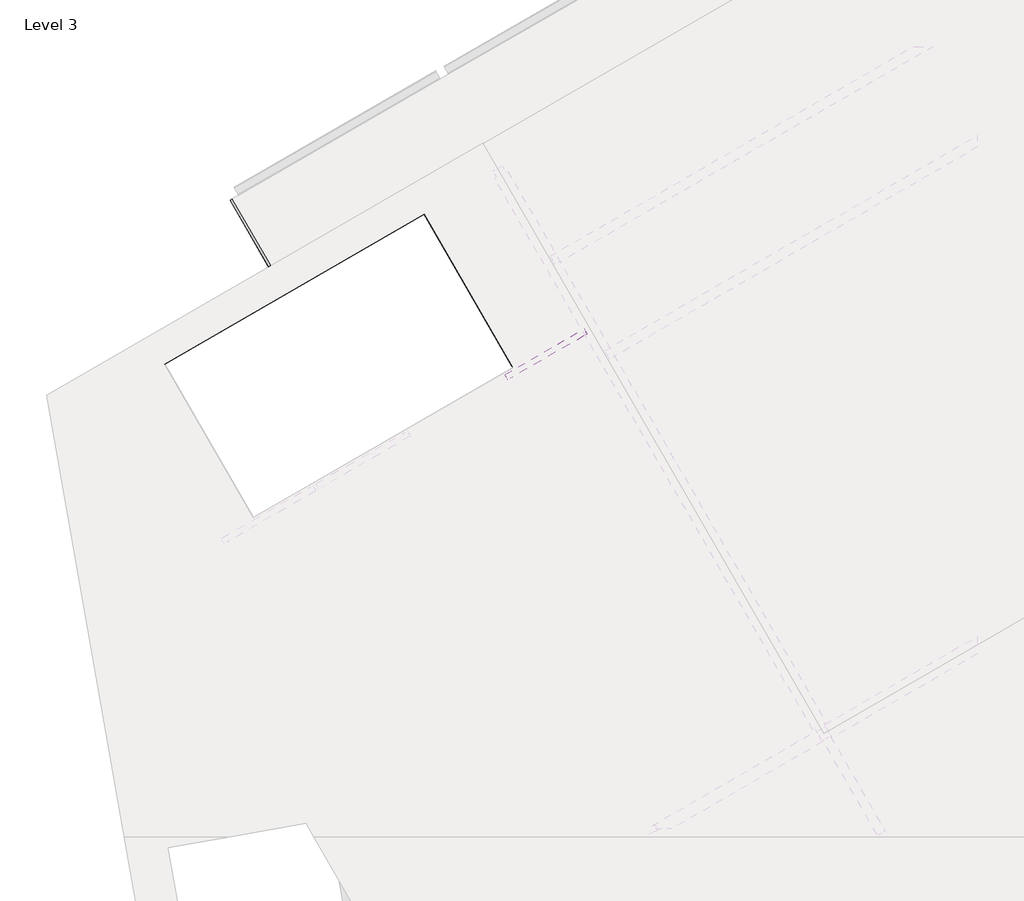
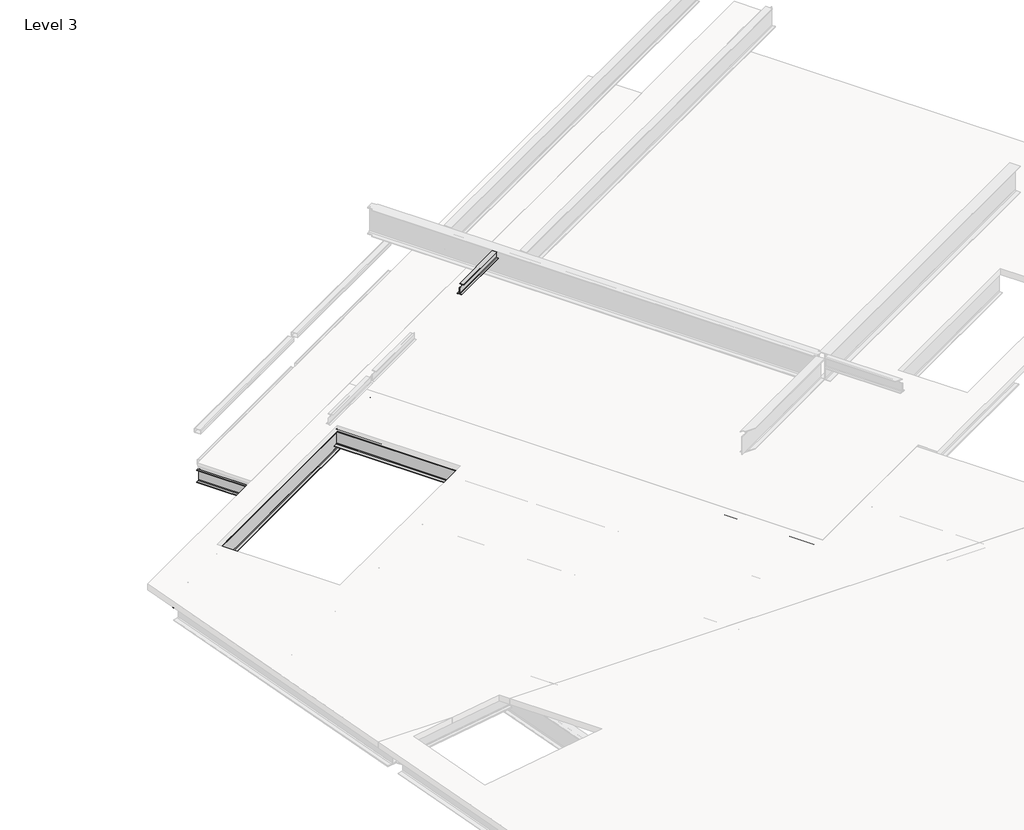
# One storey, part 10 of 16: 5 beams.
"""IFC4 building model written with IfcOpenShell, lengths in millimetres."""

from ifc_helpers import new_model, si_unit, frame, origin, place, context, project, spatial, polyline, circle_curve, element, save
from ifc_brep_helpers import plane_surface, revolved_surface, advanced_brep

model = new_model("IFC4")

# Units and contexts
model_context = context("Model", 3, world=origin())
ifc_project = project(units=[si_unit("LENGTHUNIT", "METRE", prefix="MILLI")], contexts=[model_context])

# Site, building, storey
site = spatial("IfcSite", under=ifc_project)
building = spatial("IfcBuilding", under=site)
storey = spatial("IfcBuildingStorey", under=building, Name="Level 3", Elevation=9753.6)

# Beams
placement = place(None, origin())
element("IfcBeam", 1, ObjectType="W-Wide Flange : W12x35", at=placement, inside=storey, context=model_context, shape_type="AdvancedBrep", body=[
    advanced_brep(
    [(-264.265187, 20502.3528614, 9296.908), (-264.265187, 20502.3528614, 9283.7), (-408.5658039, 20419.0408614, 9283.7), (-408.5658039, 20419.0408614, 9296.908), (-354.39808, 20450.3146114, 9296.908), (-339.7150523, 20458.7918614, 9313.8625), (-339.7150523, 20458.7918614, 9571.0375), (-354.39808, 20450.3146114, 9587.992), (-408.5658039, 20419.0408614, 9587.992), (-408.5658039, 20419.0408614, 9601.2), (-264.265187, 20502.3528614, 9601.2), (-264.265187, 20502.3528614, 9587.992), (-318.432911, 20471.0791114, 9587.992), (-333.1159387, 20462.6018614, 9571.0375), (-333.1159387, 20462.6018614, 9313.8625), (-318.432911, 20471.0791114, 9296.908), (539.420339, 18985.2336969, 9296.908), (593.588063, 19016.5074469, 9296.908), (524.7373113, 18976.7564469, 9313.8625), (485.6530613, 19044.4523537, 9571.0375), (485.6530613, 19044.4523537, 9559.29), (524.7373113, 18976.7564469, 9559.29), (500.336089, 19052.9296037, 9587.992), (554.503813, 19084.2033537, 9587.992), (554.503813, 19084.2033537, 9601.2), (410.2031961, 19000.8913537, 9601.2), (410.2031961, 19000.8913537, 9587.992), (464.37092, 19032.1651037, 9587.992), (479.0539477, 19040.6423537, 9571.0375), (518.1381977, 18972.9464469, 9313.8625), (518.1381977, 18972.9464469, 9559.29), (479.0539477, 19040.6423537, 9559.29), (503.45517, 18964.4691969, 9296.908), (449.2874461, 18933.1954469, 9296.908), (449.2874461, 18933.1954469, 9283.7), (593.588063, 19016.5074469, 9283.7)],
    [
        (0, 1),
        (1, 2),
        (2, 3),
        (3, 4),
        (4, 5, circle_curve(frame((-354.39808, 20450.3146114, 9313.8625), z_axis=(0.4999999999999867, -0.8660254037844465, 0.0), x_axis=(-0.8660254037844465, -0.4999999999999867, 0.0)), 16.9545)),
        (5, 6),
        (6, 7, circle_curve(frame((-354.39808, 20450.3146114, 9571.0375), z_axis=(0.4999999999999867, -0.8660254037844465, 0.0), x_axis=(-0.8660254037844465, -0.4999999999999867, 0.0)), 16.9545)),
        (7, 8),
        (8, 9),
        (9, 10),
        (10, 11),
        (11, 12),
        (12, 13, circle_curve(frame((-318.432911, 20471.0791114, 9571.0375), z_axis=(0.4999999999999867, -0.8660254037844465, 0.0), x_axis=(-0.8660254037844465, -0.4999999999999867, 0.0)), 16.9545)),
        (13, 14),
        (14, 15, circle_curve(frame((-318.432911, 20471.0791114, 9313.8625), z_axis=(0.4999999999999867, -0.8660254037844465, 0.0), x_axis=(-0.8660254037844465, -0.4999999999999867, 0.0)), 16.9545)),
        (15, 0),
        (15, 16),
        (16, 17),
        (17, 0),
        (14, 18),
        (18, 16, circle_curve(frame((539.420339, 18985.2336969, 9313.8625), z_axis=(0.4999999999999867, -0.8660254037844465, 0.0), x_axis=(-0.8660254037844465, -0.4999999999999867, 0.0)), 16.9545)),
        (13, 19),
        (19, 20),
        (20, 21),
        (21, 18),
        (12, 22),
        (22, 19, circle_curve(frame((500.336089, 19052.9296037, 9571.0375), z_axis=(0.4999999999999867, -0.8660254037844465, 0.0), x_axis=(-0.8660254037844465, -0.4999999999999867, 0.0)), 16.9545)),
        (11, 23),
        (23, 22),
        (10, 24),
        (24, 23),
        (9, 25),
        (25, 24),
        (8, 26),
        (26, 25),
        (7, 27),
        (27, 26),
        (6, 28),
        (28, 27, circle_curve(frame((464.37092, 19032.1651037, 9571.0375), z_axis=(0.4999999999999867, -0.8660254037844465, 0.0), x_axis=(-0.8660254037844465, -0.4999999999999867, 0.0)), 16.9545)),
        (5, 29),
        (29, 30),
        (30, 31),
        (31, 28),
        (4, 32),
        (32, 29, circle_curve(frame((503.45517, 18964.4691969, 9313.8625), z_axis=(0.4999999999999867, -0.8660254037844465, 0.0), x_axis=(-0.8660254037844465, -0.4999999999999867, 0.0)), 16.9545)),
        (3, 33),
        (33, 32),
        (2, 34),
        (34, 33),
        (1, 35),
        (35, 34),
        (17, 35),
        (31, 20),
        (30, 21),
    ],
    [
        plane_surface(frame((-336.4154955, 20460.6968614, 9442.45), z_axis=(-0.4999999999999867, 0.8660254037844465, 0.0), x_axis=(0.0, 0.0, 1.0))),
        plane_surface(frame((599.938063, 19005.5089243, 9296.908), z_axis=(0.0, 0.0, 1.0000000000000002), x_axis=(-0.4999999999999867, 0.8660254037844465, 0.0))),
        revolved_surface(polyline([(-333.115938723098, 20462.60186139155, 9313.8625), (524.7373113058045, 18976.75644690335, 9313.8625)]), (545.770339, 18974.2351743, 9313.8625), (-0.4999999999999867, 0.8660254037844465, 0.0)),
        plane_surface(frame((531.0873113, 18965.7579243, 9313.8625), z_axis=(0.8660254037844465, 0.4999999999999867, 0.0), x_axis=(-0.4999999999999867, 0.8660254037844465, 0.0))),
        revolved_surface(polyline([(-333.115938723098, 20462.60186139155, 9571.0375), (485.6530612952938, 19044.45235369728, 9571.0375)]), (545.770339, 18974.2351743, 9571.0375), (-0.4999999999999867, 0.8660254037844465, 0.0)),
        plane_surface(frame((545.770339, 18974.2351743, 9587.992), z_axis=(0.0, 0.0, -1.0000000000000002), x_axis=(-0.4999999999999867, 0.8660254037844465, 0.0))),
        plane_surface(frame((599.938063, 19005.5089243, 9587.992), z_axis=(0.8660254037844465, 0.4999999999999867, 0.0), x_axis=(-0.4999999999999867, 0.8660254037844465, 0.0))),
        plane_surface(frame((599.938063, 19005.5089243, 9601.2), z_axis=(0.0, 0.0, 1.0000000000000002), x_axis=(-0.4999999999999867, 0.8660254037844465, 0.0))),
        plane_surface(frame((455.6374461, 18922.1969243, 9601.2), z_axis=(-0.8660254037844465, -0.4999999999999867, 0.0), x_axis=(-0.4999999999999867, 0.8660254037844465, 0.0))),
        plane_surface(frame((455.6374461, 18922.1969243, 9587.992), z_axis=(0.0, 0.0, -1.0000000000000002), x_axis=(-0.4999999999999867, 0.8660254037844465, 0.0))),
        revolved_surface(polyline([(-369.08110772521553, 20441.837361395217, 9571.0375), (449.68789229317633, 19023.687853700947, 9571.0375)]), (509.80517, 18953.4706743, 9571.0375), (-0.4999999999999867, 0.8660254037844465, 0.0)),
        plane_surface(frame((524.4881977, 18961.9479243, 9571.0375), z_axis=(-0.8660254037844465, -0.4999999999999867, 0.0), x_axis=(-0.4999999999999867, 0.8660254037844465, 0.0))),
        revolved_surface(polyline([(-369.08110772521553, 20441.837361395217, 9313.8625), (488.772142303687, 18955.991946907016, 9313.8625)]), (509.80517, 18953.4706743, 9313.8625), (-0.4999999999999867, 0.8660254037844465, 0.0)),
        plane_surface(frame((509.80517, 18953.4706743, 9296.908), z_axis=(0.0, 0.0, 1.0000000000000002), x_axis=(-0.4999999999999867, 0.8660254037844465, 0.0))),
        plane_surface(frame((455.6374461, 18922.1969243, 9296.908), z_axis=(-0.8660254037844465, -0.4999999999999867, 0.0), x_axis=(-0.4999999999999867, 0.8660254037844465, 0.0))),
        plane_surface(frame((455.6374461, 18922.1969243, 9283.7), z_axis=(0.0, 0.0, -1.0000000000000002), x_axis=(-0.4999999999999867, 0.8660254037844465, 0.0))),
        plane_surface(frame((599.938063, 19005.5089243, 9283.7), z_axis=(0.8660254037844465, 0.4999999999999867, 0.0), x_axis=(-0.4999999999999867, 0.8660254037844465, 0.0))),
        plane_surface(frame((-3016.9958534, 17022.1970599, 9626.6), z_axis=(0.49999999999999195, -0.8660254037844433, 0.0), x_axis=(0.8660254037844433, 0.49999999999999195, 0.0))),
        plane_surface(frame((-3016.9958534, 17022.1970599, 9559.29), z_axis=(0.0, 0.0, 1.0), x_axis=(0.8660254037844433, 0.49999999999999195, 0.0))),
        plane_surface(frame((-2977.9116034, 16954.5011531, 9559.29), z_axis=(0.49999999999999195, -0.8660254037844433, 0.0), x_axis=(0.8660254037844433, 0.49999999999999195, 0.0))),
    ],
    [
        (0, [[1, 2, 3, 4, 5, 6, 7, 8, 9, 10, 11, 12, 13, 14, 15, 16]]),
        (1, [[-16, 17, 18, 19]]),
        (2, [[-15, 20, 21, -17]]),
        (3, [[-14, 22, 23, 24, 25, -20]]),
        (4, [[-13, 26, 27, -22]]),
        (5, [[-12, 28, 29, -26]]),
        (6, [[-11, 30, 31, -28]]),
        (7, [[-10, 32, 33, -30]]),
        (8, [[-9, 34, 35, -32]]),
        (9, [[-8, 36, 37, -34]]),
        (10, [[-7, 38, 39, -36]]),
        (11, [[-6, 40, 41, 42, 43, -38]]),
        (12, [[-5, 44, 45, -40]]),
        (13, [[-4, 46, 47, -44]]),
        (14, [[-3, 48, 49, -46]]),
        (15, [[-2, 50, 51, -48]]),
        (16, [[-1, -19, 52, -50]]),
        (17, [[53, -23, -27, -29, -31, -33, -35, -37, -39, -43]]),
        (18, [[-53, -42, 54, -24]]),
        (19, [[-54, -41, -45, -47, -49, -51, -52, -18, -21, -25]]),
    ],
),
])
element("IfcBeam", 2, ObjectType="W-Wide Flange : W16x45", at=placement, inside=storey, context=model_context, shape_type="AdvancedBrep", body=[
    advanced_brep(
    [(2810.6291971, 20240.6442476, 9206.611), (2869.1963301, 20274.4579976, 9206.611), (2884.2643061, 20283.1574976, 9224.01), (2884.2643061, 20283.1574976, 9569.45), (2869.1963301, 20274.4579976, 9586.849), (2810.6291971, 20240.6442476, 9586.849), (2810.6291971, 20240.6442476, 9601.2), (2965.4883957, 20330.0522476, 9601.2), (2965.4883957, 20330.0522476, 9586.849), (2906.9212627, 20296.2384976, 9586.849), (2891.8532867, 20287.5389976, 9569.45), (2891.8532867, 20287.5389976, 9224.01), (2906.9212627, 20296.2384976, 9206.611), (2965.4883957, 20330.0522476, 9206.611), (2965.4883957, 20330.0522476, 9192.26), (2810.6291971, 20240.6442476, 9192.26), (4368.1657853, 17542.9117421, 9206.611), (4426.7329183, 17576.7254921, 9206.611), (4441.8008943, 17585.4249921, 9224.01), (4441.8008943, 17585.4249921, 9556.242), (4387.5083943, 17679.4623606, 9556.242), (4387.5083943, 17679.4623606, 9569.45), (4372.4404183, 17670.7628606, 9586.849), (4313.8732853, 17636.9491106, 9586.849), (4313.8732853, 17636.9491106, 9601.2), (4468.7324839, 17726.3571106, 9601.2), (4468.7324839, 17726.3571106, 9586.849), (4410.1653509, 17692.5433606, 9586.849), (4395.0973749, 17683.8438606, 9569.45), (4395.0973749, 17683.8438606, 9556.242), (4449.3898749, 17589.8064921, 9556.242), (4449.3898749, 17589.8064921, 9224.01), (4464.4578509, 17598.5059921, 9206.611), (4523.0249839, 17632.3197421, 9206.611), (4523.0249839, 17632.3197421, 9192.26), (4368.1657853, 17542.9117421, 9192.26)],
    [
        (0, 1),
        (1, 2, circle_curve(frame((2869.1963301, 20274.4579976, 9224.01), z_axis=(0.4999999999999872, -0.8660254037844461, 0.0), x_axis=(0.8660254037844461, 0.4999999999999872, 0.0)), 17.399)),
        (2, 3),
        (3, 4, circle_curve(frame((2869.1963301, 20274.4579976, 9569.45), z_axis=(0.4999999999999872, -0.8660254037844461, 0.0), x_axis=(0.0, 0.0, 1.0)), 17.399)),
        (4, 5),
        (5, 6),
        (6, 7),
        (7, 8),
        (8, 9),
        (9, 10, circle_curve(frame((2906.9212627, 20296.2384976, 9569.45), z_axis=(0.4999999999999872, -0.8660254037844461, 0.0), x_axis=(-0.8660254037844461, -0.4999999999999872, 0.0)), 17.399)),
        (10, 11),
        (11, 12, circle_curve(frame((2906.9212627, 20296.2384976, 9224.01), z_axis=(0.4999999999999872, -0.8660254037844461, 0.0), x_axis=(0.0, 0.0, -1.0)), 17.399)),
        (12, 13),
        (13, 14),
        (14, 15),
        (15, 0),
        (0, 16),
        (16, 17),
        (17, 1),
        (17, 18, circle_curve(frame((4426.7329183, 17576.7254921, 9224.01), z_axis=(0.4999999999999872, -0.8660254037844461, 0.0), x_axis=(0.8660254037844461, 0.4999999999999872, 0.0)), 17.399)),
        (18, 2),
        (18, 19),
        (19, 20),
        (20, 21),
        (21, 3),
        (21, 22, circle_curve(frame((4372.4404183, 17670.7628606, 9569.45), z_axis=(0.4999999999999872, -0.8660254037844461, 0.0), x_axis=(0.0, 0.0, 1.0)), 17.399)),
        (22, 4),
        (22, 23),
        (23, 5),
        (23, 24),
        (24, 6),
        (24, 25),
        (25, 7),
        (25, 26),
        (26, 8),
        (26, 27),
        (27, 9),
        (27, 28, circle_curve(frame((4410.1653509, 17692.5433606, 9569.45), z_axis=(0.4999999999999872, -0.8660254037844461, 0.0), x_axis=(-0.8660254037844461, -0.4999999999999872, 0.0)), 17.399)),
        (28, 10),
        (28, 29),
        (29, 30),
        (30, 31),
        (31, 11),
        (31, 32, circle_curve(frame((4464.4578509, 17598.5059921, 9224.01), z_axis=(0.4999999999999872, -0.8660254037844461, 0.0), x_axis=(0.0, 0.0, -1.0)), 17.399)),
        (32, 12),
        (32, 33),
        (33, 13),
        (33, 34),
        (34, 14),
        (34, 35),
        (35, 15),
        (35, 16),
        (20, 29),
        (19, 30),
    ],
    [
        plane_surface(frame((2888.0587964, 20285.3482476, 9396.73), z_axis=(-0.4999999999999872, 0.8660254037844461, 0.0), x_axis=(0.0, 0.0, 1.0))),
        plane_surface(frame((2839.9127636, 20257.5511226, 9206.611), z_axis=(0.0, 0.0, 1.0000000000000002), x_axis=(0.8660254037844461, 0.4999999999999872, 0.0))),
        revolved_surface(polyline([(4441.800894339427, 17585.424992122502, 9224.01), (2884.2643061003328, 20283.157497600194, 9224.01)]), (2869.1963301, 20274.4579976, 9224.01), (0.4999999999999872, -0.8660254037844461, 0.0)),
        plane_surface(frame((2884.2643061, 20283.1574976, 9396.73), z_axis=(-0.8660254037844461, -0.4999999999999872, 0.0), x_axis=(0.0, 0.0, 1.0))),
        revolved_surface(polyline([(4372.440418325963, 17670.76286061499, 9586.849), (2869.1963300998873, 20274.457997600195, 9586.849)]), (2869.1963301, 20274.4579976, 9569.45), (0.4999999999999872, -0.8660254037844461, 0.0)),
        plane_surface(frame((2839.9127636, 20257.5511226, 9586.849), z_axis=(0.0, 0.0, -1.0000000000000002), x_axis=(-0.8660254037844461, -0.4999999999999872, 0.0))),
        plane_surface(frame((2810.6291971, 20240.6442476, 9594.0245), z_axis=(-0.8660254037844461, -0.4999999999999872, 0.0), x_axis=(0.0, 0.0, 1.0))),
        plane_surface(frame((2888.0587964, 20285.3482476, 9601.2), z_axis=(0.0, 0.0, 1.0000000000000002), x_axis=(0.8660254037844461, 0.4999999999999872, 0.0))),
        plane_surface(frame((2965.4883957, 20330.0522476, 9594.0245), z_axis=(0.8660254037844461, 0.4999999999999872, 0.0), x_axis=(0.0, 0.0, -1.0))),
        plane_surface(frame((2936.2048292, 20313.1453726, 9586.849), z_axis=(0.0, 0.0, -1.0000000000000002), x_axis=(-0.8660254037844461, -0.4999999999999872, 0.0))),
        revolved_surface(polyline([(4395.097374925628, 17683.843860614797, 9569.45), (2891.8532866995547, 20287.5389976, 9569.45)]), (2906.9212627, 20296.2384976, 9569.45), (0.4999999999999872, -0.8660254037844461, 0.0)),
        plane_surface(frame((2891.8532867, 20287.5389976, 9396.73), z_axis=(0.8660254037844461, 0.4999999999999872, 0.0), x_axis=(0.0, 0.0, -1.0))),
        revolved_surface(polyline([(4464.457850939092, 17598.505992122315, 9206.611), (2906.9212627, 20296.2384976, 9206.611)]), (2906.9212627, 20296.2384976, 9224.01), (0.4999999999999872, -0.8660254037844461, 0.0)),
        plane_surface(frame((2936.2048292, 20313.1453726, 9206.611), z_axis=(0.0, 0.0, 1.0000000000000002), x_axis=(0.8660254037844461, 0.4999999999999872, 0.0))),
        plane_surface(frame((2965.4883957, 20330.0522476, 9199.4355), z_axis=(0.8660254037844461, 0.4999999999999872, 0.0), x_axis=(0.0, 0.0, -1.0))),
        plane_surface(frame((2888.0587964, 20285.3482476, 9192.26), z_axis=(0.0, 0.0, -1.0000000000000002), x_axis=(-0.8660254037844461, -0.4999999999999872, 0.0))),
        plane_surface(frame((2810.6291971, 20240.6442476, 9199.4355), z_axis=(-0.8660254037844461, -0.4999999999999872, 0.0), x_axis=(0.0, 0.0, 1.0))),
        plane_surface(frame((-2437.2134762, 13739.2073515, 9626.6), z_axis=(0.4999999999999921, -0.8660254037844433, 0.0), x_axis=(0.8660254037844433, 0.4999999999999921, 0.0))),
        plane_surface(frame((-2437.2134762, 13739.2073515, 9556.242), z_axis=(0.0, 0.0, 1.0), x_axis=(0.8660254037844433, 0.4999999999999921, 0.0))),
        plane_surface(frame((-2382.9209762, 13645.1699831, 9556.242), z_axis=(0.4999999999999922, -0.8660254037844433, 0.0), x_axis=(0.8660254037844433, 0.4999999999999922, 0.0))),
    ],
    [
        (0, [[1, 2, 3, 4, 5, 6, 7, 8, 9, 10, 11, 12, 13, 14, 15, 16]]),
        (1, [[-1, 17, 18, 19]]),
        (2, [[-2, -19, 20, 21]]),
        (3, [[-3, -21, 22, 23, 24, 25]]),
        (4, [[-4, -25, 26, 27]]),
        (5, [[-5, -27, 28, 29]]),
        (6, [[-6, -29, 30, 31]]),
        (7, [[-7, -31, 32, 33]]),
        (8, [[-8, -33, 34, 35]]),
        (9, [[-9, -35, 36, 37]]),
        (10, [[-10, -37, 38, 39]]),
        (11, [[-11, -39, 40, 41, 42, 43]]),
        (12, [[-12, -43, 44, 45]]),
        (13, [[-13, -45, 46, 47]]),
        (14, [[-14, -47, 48, 49]]),
        (15, [[-15, -49, 50, 51]]),
        (16, [[-16, -51, 52, -17]]),
        (17, [[53, -40, -38, -36, -34, -32, -30, -28, -26, -24]]),
        (18, [[-53, -23, 54, -41]]),
        (19, [[-54, -22, -20, -18, -52, -50, -48, -46, -44, -42]]),
    ],
),
])
element("IfcBeam", 3, ObjectType="W-Wide Flange : W21x57", at=placement, inside=storey, context=model_context, shape_type="AdvancedBrep", body=[
    advanced_brep(
    [(3891.3972921, 20981.4303084, 9081.77), (3922.0677921, 20928.3074441, 9081.77), (3930.4815421, 20913.7344017, 9098.5975), (3930.4815421, 20913.7344017, 9567.8625), (3922.0677921, 20928.3074441, 9584.69), (3891.3972921, 20981.4303084, 9584.69), (3891.3972921, 20981.4303084, 9601.2), (3974.7092921, 20837.1296916, 9601.2), (3974.7092921, 20837.1296916, 9584.69), (3944.0387921, 20890.2525559, 9584.69), (3935.6250421, 20904.8255983, 9567.8625), (3935.6250421, 20904.8255983, 9098.5975), (3944.0387921, 20890.2525559, 9081.77), (3974.7092921, 20837.1296916, 9081.77), (3974.7092921, 20837.1296916, 9065.26), (3891.3972921, 20981.4303084, 9065.26), (-2898.9868082, 16868.5993978, 9065.26), (-2898.9868082, 16868.5993978, 9081.77), (-2929.6573082, 16921.7222621, 9081.77), (-2938.0710582, 16936.2953045, 9098.5975), (-2938.0710582, 16936.2953045, 9567.8625), (-2929.6573082, 16921.7222621, 9584.69), (-2898.9868082, 16868.5993978, 9584.69), (-2898.9868082, 16868.5993978, 9601.2), (-2962.6129739, 16978.8031495, 9601.2), (-2962.6129739, 16978.8031495, 9584.69), (-2951.6283082, 16959.7771503, 9584.69), (-2943.2145582, 16945.2041079, 9567.8625), (-2943.2145582, 16945.2041079, 9098.5975), (-2951.6283082, 16959.7771503, 9081.77), (-2962.6129739, 16978.8031495, 9081.77), (-2962.6129739, 16978.8031495, 9065.26), (-2856.5901337, 17085.4779517, 9081.77), (-2846.5667989, 17028.6327954, 9081.77), (-2967.6351249, 17007.285183, 9081.77), (-2967.6351249, 17007.285183, 9584.69), (-2846.5667989, 17028.6327954, 9584.69), (-2856.5901337, 17085.4779517, 9584.69), (-2856.5901337, 17085.4779517, 9601.2), (-2846.5667989, 17028.6327954, 9601.2), (-2967.6351249, 17007.285183, 9601.2), (-2967.6351249, 17007.285183, 9065.26), (-2846.5667989, 17028.6327954, 9065.26), (-2856.5901337, 17085.4779517, 9065.26)],
    [
        (0, 1),
        (1, 2, circle_curve(frame((3922.0677921, 20928.3074441, 9098.5975), z_axis=(-0.8660254037844433, -0.4999999999999922, 0.0), x_axis=(0.4999999999999922, -0.8660254037844433, 0.0)), 16.8275)),
        (2, 3),
        (3, 4, circle_curve(frame((3922.0677921, 20928.3074441, 9567.8625), z_axis=(-0.8660254037844433, -0.4999999999999922, 0.0), x_axis=(0.4999999999999922, -0.8660254037844433, 0.0)), 16.8275)),
        (4, 5),
        (5, 6),
        (6, 7),
        (7, 8),
        (8, 9),
        (9, 10, circle_curve(frame((3944.0387921, 20890.2525559, 9567.8625), z_axis=(-0.8660254037844433, -0.4999999999999922, 0.0), x_axis=(0.4999999999999922, -0.8660254037844433, 0.0)), 16.8275)),
        (10, 11),
        (11, 12, circle_curve(frame((3944.0387921, 20890.2525559, 9098.5975), z_axis=(-0.8660254037844433, -0.4999999999999922, 0.0), x_axis=(0.4999999999999922, -0.8660254037844433, 0.0)), 16.8275)),
        (12, 13),
        (13, 14),
        (14, 15),
        (15, 0),
        (16, 17),
        (17, 18),
        (18, 19, circle_curve(frame((-2929.6573082, 16921.7222621, 9098.5975), z_axis=(0.8660254037844433, 0.4999999999999922, 0.0), x_axis=(0.4999999999999922, -0.8660254037844433, 0.0)), 16.8275)),
        (19, 20),
        (20, 21, circle_curve(frame((-2929.6573082, 16921.7222621, 9567.8625), z_axis=(0.8660254037844433, 0.4999999999999922, 0.0), x_axis=(0.4999999999999922, -0.8660254037844433, 0.0)), 16.8275)),
        (21, 22),
        (22, 23),
        (23, 24),
        (24, 25),
        (25, 26),
        (26, 27, circle_curve(frame((-2951.6283082, 16959.7771503, 9567.8625), z_axis=(0.8660254037844433, 0.4999999999999922, 0.0), x_axis=(0.4999999999999922, -0.8660254037844433, 0.0)), 16.8275)),
        (27, 28),
        (28, 29, circle_curve(frame((-2951.6283082, 16959.7771503, 9098.5975), z_axis=(0.8660254037844433, 0.4999999999999922, 0.0), x_axis=(0.4999999999999922, -0.8660254037844433, 0.0)), 16.8275)),
        (29, 30),
        (30, 31),
        (31, 16),
        (0, 32),
        (32, 33),
        (33, 34),
        (34, 30),
        (29, 1),
        (28, 2),
        (27, 3),
        (26, 4),
        (25, 35),
        (35, 36),
        (36, 37),
        (37, 5),
        (37, 38),
        (38, 6),
        (38, 39),
        (39, 40),
        (40, 24),
        (23, 7),
        (22, 8),
        (21, 9),
        (20, 10),
        (19, 11),
        (18, 12),
        (17, 13),
        (16, 14),
        (31, 41),
        (41, 42),
        (42, 43),
        (43, 15),
        (43, 32),
        (42, 33),
        (41, 34),
        (36, 39),
        (35, 40),
    ],
    [
        plane_surface(frame((3933.0532921, 20909.28, 9333.23), z_axis=(0.8660254037844433, 0.4999999999999922, 0.0), x_axis=(0.0, 0.0, 1.0))),
        plane_surface(frame((-2940.6428082, 16940.7497062, 9333.23), z_axis=(-0.8660254037844433, -0.4999999999999922, 0.0), x_axis=(0.0, 0.0, 1.0))),
        plane_surface(frame((3891.3972921, 20981.4303084, 9081.77), z_axis=(0.0, 0.0, 1.0000000000000002), x_axis=(-0.8660254037844433, -0.4999999999999922, 0.0))),
        revolved_surface(polyline([(-2943.2145581844975, 16945.204107790967, 9098.5975), (3930.481542135586, 20913.734401638365, 9098.5975)]), (3922.0677921, 20928.3074441, 9098.5975), (-0.8660254037844433, -0.4999999999999922, 0.0)),
        plane_surface(frame((3930.4815421, 20913.7344017, 9098.5975), z_axis=(-0.4999999999999922, 0.8660254037844433, 0.0), x_axis=(-0.8660254037844433, -0.4999999999999922, 0.0))),
        revolved_surface(polyline([(-2943.2145581844975, 16945.204107790967, 9567.8625), (3930.481542135586, 20913.734401638365, 9567.8625)]), (3922.0677921, 20928.3074441, 9567.8625), (-0.8660254037844433, -0.4999999999999922, 0.0)),
        plane_surface(frame((3922.0677921, 20928.3074441, 9584.69), z_axis=(0.0, 0.0, -1.0000000000000002), x_axis=(-0.8660254037844433, -0.4999999999999922, 0.0))),
        plane_surface(frame((3891.3972921, 20981.4303084, 9584.69), z_axis=(-0.4999999999999922, 0.8660254037844433, 0.0), x_axis=(-0.8660254037844433, -0.4999999999999922, 0.0))),
        plane_surface(frame((3891.3972921, 20981.4303084, 9601.2), z_axis=(0.0, 0.0, 1.0000000000000002), x_axis=(-0.8660254037844433, -0.4999999999999922, 0.0))),
        plane_surface(frame((3974.7092921, 20837.1296916, 9601.2), z_axis=(0.4999999999999922, -0.8660254037844433, 0.0), x_axis=(-0.8660254037844433, -0.4999999999999922, 0.0))),
        plane_surface(frame((3974.7092921, 20837.1296916, 9584.69), z_axis=(0.0, 0.0, -1.0000000000000002), x_axis=(-0.8660254037844433, -0.4999999999999922, 0.0))),
        revolved_surface(polyline([(-2921.243558220085, 16907.14921957042, 9567.8625), (3952.4525421, 20875.679513417817, 9567.8625)]), (3944.0387921, 20890.2525559, 9567.8625), (-0.8660254037844433, -0.4999999999999922, 0.0)),
        plane_surface(frame((3935.6250421, 20904.8255983, 9567.8625), z_axis=(0.4999999999999922, -0.8660254037844433, 0.0), x_axis=(-0.8660254037844433, -0.4999999999999922, 0.0))),
        revolved_surface(polyline([(-2921.243558220085, 16907.14921957042, 9098.5975), (3952.4525421, 20875.679513417817, 9098.5975)]), (3944.0387921, 20890.2525559, 9098.5975), (-0.8660254037844433, -0.4999999999999922, 0.0)),
        plane_surface(frame((3944.0387921, 20890.2525559, 9081.77), z_axis=(0.0, 0.0, 1.0000000000000002), x_axis=(-0.8660254037844433, -0.4999999999999922, 0.0))),
        plane_surface(frame((3974.7092921, 20837.1296916, 9081.77), z_axis=(0.4999999999999922, -0.8660254037844433, 0.0), x_axis=(-0.8660254037844433, -0.4999999999999922, 0.0))),
        plane_surface(frame((3974.7092921, 20837.1296916, 9065.26), z_axis=(0.0, 0.0, -1.0000000000000002), x_axis=(-0.8660254037844433, -0.4999999999999922, 0.0))),
        plane_surface(frame((3891.3972921, 20981.4303084, 9065.26), z_axis=(-0.4999999999999922, 0.8660254037844433, 0.0), x_axis=(-0.8660254037844433, -0.4999999999999922, 0.0))),
        plane_surface(frame((-2858.3873777, 17095.6706287, 5765.8), z_axis=(-0.9848077530122079, -0.17364817766693116, 0.0), x_axis=(0.0, 0.0, 1.0))),
        plane_surface(frame((-2846.5667989, 17028.6327954, 5765.8), z_axis=(-0.1736481776669381, 0.9848077530122068, 0.0), x_axis=(0.0, 0.0, 1.0))),
        plane_surface(frame((-2967.6351249, 17007.285183, 5765.8), z_axis=(-0.9848077530122079, -0.17364817766693152, 0.0), x_axis=(0.0, 0.0, 1.0))),
    ],
    [
        (0, [[1, 2, 3, 4, 5, 6, 7, 8, 9, 10, 11, 12, 13, 14, 15, 16]]),
        (1, [[17, 18, 19, 20, 21, 22, 23, 24, 25, 26, 27, 28, 29, 30, 31, 32]]),
        (2, [[-1, 33, 34, 35, 36, -30, 37]]),
        (3, [[-2, -37, -29, 38]]),
        (4, [[-3, -38, -28, 39]]),
        (5, [[-4, -39, -27, 40]]),
        (6, [[-5, -40, -26, 41, 42, 43, 44]]),
        (7, [[-6, -44, 45, 46]]),
        (8, [[-7, -46, 47, 48, 49, -24, 50]]),
        (9, [[-8, -50, -23, 51]]),
        (10, [[-9, -51, -22, 52]]),
        (11, [[-10, -52, -21, 53]]),
        (12, [[-11, -53, -20, 54]]),
        (13, [[-12, -54, -19, 55]]),
        (14, [[-13, -55, -18, 56]]),
        (15, [[-14, -56, -17, 57]]),
        (16, [[-15, -57, -32, 58, 59, 60, 61]]),
        (17, [[-16, -61, 62, -33]]),
        (18, [[63, -34, -62, -60]]),
        (19, [[-63, -59, 64, -35]]),
        (20, [[-64, -58, -31, -36]]),
        (18, [[65, -47, -45, -43]]),
        (19, [[-65, -42, 66, -48]]),
        (20, [[-66, -41, -25, -49]]),
    ],
),
])
element("IfcBeam", 4, ObjectType="W-Wide Flange : W24x84", at=placement, inside=storey, context=model_context, shape_type="AdvancedBrep", body=[
    advanced_brep(
    [(4046.2521508, 20939.1468252, 9008.618), (3996.3738507, 20910.3495752, 9008.618), (4057.8418507, 20803.8838762, 9008.618), (4033.8650714, 20790.0408762, 9008.618), (9366.5950714, 11553.4815732, 9008.618), (9390.5718507, 11567.3245732, 9008.618), (9452.0398507, 11460.8588741, 9008.618), (9501.9181508, 11489.6561241, 9008.618), (4066.4344399, 20950.7990752, 9031.9225), (9522.1004399, 11501.3083741, 9031.9225), (4066.4344399, 20950.7990752, 9558.3375), (9522.1004399, 11501.3083741, 9558.3375), (4046.2521508, 20939.1468252, 9581.642), (9501.9181508, 11489.6561241, 9581.642), (3996.3738507, 20910.3495752, 9581.642), (9452.0398507, 11460.8588741, 9581.642), (9390.5718507, 11567.3245732, 9581.642), (9366.5950714, 11553.4815732, 9581.642), (4033.8650714, 20790.0408762, 9581.642), (4057.8418507, 20803.8838762, 9581.642), (4033.8650714, 20790.0408762, 9601.2), (9366.5950714, 11553.4815732, 9601.2), (4232.2784196, 20904.5948762, 9601.2), (4208.3016403, 20890.7518762, 9601.2), (4146.8336403, 20997.2175752, 9601.2), (3996.3738507, 20910.3495752, 9601.2), (4057.8418507, 20803.8838762, 9601.2), (9390.5718507, 11567.3245732, 9601.2), (9452.0398507, 11460.8588741, 9601.2), (9602.4996403, 11547.7268741, 9601.2), (9541.0316403, 11654.1925732, 9601.2), (9565.0084196, 11668.0355732, 9601.2), (4232.2784196, 20904.5948762, 9581.642), (9565.0084196, 11668.0355732, 9581.642), (4208.3016403, 20890.7518762, 9581.642), (9541.0316403, 11654.1925732, 9581.642), (9602.4996403, 11547.7268741, 9581.642), (9552.6213402, 11518.9296241, 9581.642), (4096.9553402, 20968.4203252, 9581.642), (4146.8336403, 20997.2175752, 9581.642), (4076.7730511, 20956.7680752, 9558.3375), (9532.4390511, 11507.2773741, 9558.3375), (4076.7730511, 20956.7680752, 9031.9225), (9532.4390511, 11507.2773741, 9031.9225), (4096.9553402, 20968.4203252, 9008.618), (9552.6213402, 11518.9296241, 9008.618), (4232.2784196, 20904.5948762, 9008.618), (4208.3016403, 20890.7518762, 9008.618), (4146.8336403, 20997.2175752, 9008.618), (9602.4996403, 11547.7268741, 9008.618), (9541.0316403, 11654.1925732, 9008.618), (9565.0084196, 11668.0355732, 9008.618), (4232.2784196, 20904.5948762, 8989.06), (9565.0084196, 11668.0355732, 8989.06), (4208.3016403, 20890.7518762, 8989.06), (9541.0316403, 11654.1925732, 8989.06), (9602.4996403, 11547.7268741, 8989.06), (9452.0398507, 11460.8588741, 8989.06), (9390.5718507, 11567.3245732, 8989.06), (9366.5950714, 11553.4815732, 8989.06), (4033.8650714, 20790.0408762, 8989.06), (4057.8418507, 20803.8838762, 8989.06), (3996.3738507, 20910.3495752, 8989.06), (4146.8336403, 20997.2175752, 8989.06)],
    [
        (0, 1),
        (1, 2),
        (2, 3),
        (3, 4),
        (4, 5),
        (5, 6),
        (6, 7),
        (7, 0),
        (8, 0, circle_curve(frame((4046.2521508, 20939.1468252, 9031.9225), z_axis=(-0.499999999999991, 0.8660254037844439, 0.0), x_axis=(0.8660254037844439, 0.499999999999991, 0.0)), 23.3045)),
        (7, 9, circle_curve(frame((9501.9181508, 11489.6561241, 9031.9225), z_axis=(0.499999999999991, -0.8660254037844439, 0.0), x_axis=(0.8660254037844439, 0.499999999999991, 0.0)), 23.3045)),
        (9, 8),
        (10, 8),
        (9, 11),
        (11, 10),
        (12, 10, circle_curve(frame((4046.2521508, 20939.1468252, 9558.3375), z_axis=(-0.499999999999991, 0.8660254037844439, 0.0), x_axis=(0.8660254037844439, 0.499999999999991, 0.0)), 23.3045)),
        (11, 13, circle_curve(frame((9501.9181508, 11489.6561241, 9558.3375), z_axis=(0.499999999999991, -0.8660254037844439, 0.0), x_axis=(0.8660254037844439, 0.499999999999991, 0.0)), 23.3045)),
        (13, 12),
        (14, 12),
        (13, 15),
        (15, 16),
        (16, 17),
        (17, 18),
        (18, 19),
        (19, 14),
        (20, 18),
        (17, 21),
        (21, 20),
        (22, 23),
        (23, 24),
        (24, 25),
        (25, 26),
        (26, 20),
        (21, 27),
        (27, 28),
        (28, 29),
        (29, 30),
        (30, 31),
        (31, 22),
        (32, 22),
        (31, 33),
        (33, 32),
        (34, 32),
        (33, 35),
        (35, 36),
        (36, 37),
        (37, 38),
        (38, 39),
        (39, 34),
        (40, 38, circle_curve(frame((4096.9553402, 20968.4203252, 9558.3375), z_axis=(-0.499999999999991, 0.8660254037844439, 0.0), x_axis=(0.8660254037844439, 0.499999999999991, 0.0)), 23.3045)),
        (37, 41, circle_curve(frame((9552.6213402, 11518.9296241, 9558.3375), z_axis=(0.499999999999991, -0.8660254037844439, 0.0), x_axis=(0.8660254037844439, 0.499999999999991, 0.0)), 23.3045)),
        (41, 40),
        (42, 40),
        (41, 43),
        (43, 42),
        (44, 42, circle_curve(frame((4096.9553402, 20968.4203252, 9031.9225), z_axis=(-0.499999999999991, 0.8660254037844439, 0.0), x_axis=(0.8660254037844439, 0.499999999999991, 0.0)), 23.3045)),
        (43, 45, circle_curve(frame((9552.6213402, 11518.9296241, 9031.9225), z_axis=(0.499999999999991, -0.8660254037844439, 0.0), x_axis=(0.8660254037844439, 0.499999999999991, 0.0)), 23.3045)),
        (45, 44),
        (46, 47),
        (47, 48),
        (48, 44),
        (45, 49),
        (49, 50),
        (50, 51),
        (51, 46),
        (52, 46),
        (51, 53),
        (53, 52),
        (54, 52),
        (53, 55),
        (55, 56),
        (56, 57),
        (57, 58),
        (58, 59),
        (59, 60),
        (60, 61),
        (61, 62),
        (62, 63),
        (63, 54),
        (3, 60),
        (59, 4),
        (54, 47),
        (63, 48),
        (24, 39),
        (62, 1),
        (14, 25),
        (61, 2),
        (34, 23),
        (19, 26),
        (58, 5),
        (57, 6),
        (28, 15),
        (56, 49),
        (36, 29),
        (55, 50),
        (16, 27),
        (35, 30),
    ],
    [
        plane_surface(frame((3966.0470714, 20907.5050979, 9008.618), z_axis=(0.0, 0.0, 1.0), x_axis=(0.499999999999991, -0.8660254037844439, 0.0))),
        revolved_surface(polyline([(9522.100439861637, 11501.308374077847, 9031.9225), (4066.434439853644, 20950.799075217983, 9031.9225)]), (4039.9021508, 20950.1453479, 9031.9225), (0.499999999999991, -0.8660254037844439, 0.0)),
        plane_surface(frame((4060.0844399, 20961.7975979, 9031.9225), z_axis=(-0.8660254037844439, -0.499999999999991, 0.0), x_axis=(0.499999999999991, -0.8660254037844439, 0.0))),
        revolved_surface(polyline([(9522.100439861637, 11501.308374077847, 9558.3375), (4066.434439853644, 20950.799075217983, 9558.3375)]), (4039.9021508, 20950.1453479, 9558.3375), (0.499999999999991, -0.8660254037844439, 0.0)),
        plane_surface(frame((4039.9021508, 20950.1453479, 9581.642), z_axis=(0.0, 0.0, -1.0), x_axis=(0.499999999999991, -0.8660254037844439, 0.0))),
        plane_surface(frame((3966.0470714, 20907.5050979, 9581.642), z_axis=(-0.8660254037844439, -0.499999999999991, 0.0), x_axis=(0.499999999999991, -0.8660254037844439, 0.0))),
        plane_surface(frame((3966.0470714, 20907.5050979, 9601.2), z_axis=(0.0, 0.0, 1.0), x_axis=(0.499999999999991, -0.8660254037844439, 0.0))),
        plane_surface(frame((4164.4604196, 21022.0590979, 9601.2), z_axis=(0.8660254037844439, 0.499999999999991, 0.0), x_axis=(0.499999999999991, -0.8660254037844439, 0.0))),
        plane_surface(frame((4164.4604196, 21022.0590979, 9581.642), z_axis=(0.0, 0.0, -1.0), x_axis=(0.499999999999991, -0.8660254037844439, 0.0))),
        revolved_surface(polyline([(9572.80362924226, 11530.581874111407, 9558.3375), (4117.1376292342675, 20980.072575251546, 9558.3375)]), (4090.6053402, 20979.4188479, 9558.3375), (0.499999999999991, -0.8660254037844439, 0.0)),
        plane_surface(frame((4070.4230511, 20967.7665979, 9558.3375), z_axis=(0.8660254037844439, 0.499999999999991, 0.0), x_axis=(0.499999999999991, -0.8660254037844439, 0.0))),
        revolved_surface(polyline([(9572.80362924226, 11530.581874111407, 9031.9225), (4117.1376292342675, 20980.072575251546, 9031.9225)]), (4090.6053402, 20979.4188479, 9031.9225), (0.499999999999991, -0.8660254037844439, 0.0)),
        plane_surface(frame((4090.6053402, 20979.4188479, 9008.618), z_axis=(0.0, 0.0, 1.0), x_axis=(0.499999999999991, -0.8660254037844439, 0.0))),
        plane_surface(frame((4164.4604196, 21022.0590979, 9008.618), z_axis=(0.8660254037844439, 0.499999999999991, 0.0), x_axis=(0.499999999999991, -0.8660254037844439, 0.0))),
        plane_surface(frame((4164.4604196, 21022.0590979, 8989.06), z_axis=(0.0, 0.0, -1.0), x_axis=(0.499999999999991, -0.8660254037844439, 0.0))),
        plane_surface(frame((3966.0470714, 20907.5050979, 8989.06), z_axis=(-0.8660254037844439, -0.499999999999991, 0.0), x_axis=(0.499999999999991, -0.8660254037844439, 0.0))),
        plane_surface(frame((4267.2537216, 20924.7878762, 5765.8), z_axis=(-0.5000000000000345, 0.8660254037844188, 0.0), x_axis=(0.0, 0.0, 1.0))),
        plane_surface(frame((4208.3016403, 20890.7518762, 5765.8), z_axis=(0.8660254037844494, 0.49999999999998146, 0.0), x_axis=(0.0, 0.0, 1.0))),
        plane_surface(frame((4146.8336403, 20997.2175752, 5765.8), z_axis=(-0.5, 0.8660254037844387, 0.0), x_axis=(0.0, 0.0, 1.0))),
        plane_surface(frame((3996.3738507, 20910.3495752, 5765.8), z_axis=(-0.8660254037844392, -0.4999999999999993, 0.0), x_axis=(0.0, 0.0, 1.0))),
        plane_surface(frame((4057.8418507, 20803.8838762, 5765.8), z_axis=(-0.5000000000000345, 0.8660254037844188, 0.0), x_axis=(0.0, 0.0, 1.0))),
        plane_surface(frame((9331.6197694, 11533.2885732, 5765.8), z_axis=(0.5000000000000209, -0.8660254037844267, 0.0), x_axis=(0.0, 0.0, 1.0))),
        plane_surface(frame((9390.5718507, 11567.3245732, 5765.8), z_axis=(-0.8660254037844398, -0.49999999999999806, 0.0), x_axis=(0.0, 0.0, 1.0))),
        plane_surface(frame((9452.0398507, 11460.8588741, 5765.8), z_axis=(0.4999999999999755, -0.8660254037844528, 0.0), x_axis=(0.0, 0.0, 1.0))),
        plane_surface(frame((9602.4996403, 11547.7268741, 5765.8), z_axis=(0.8660254037844398, 0.49999999999999806, 0.0), x_axis=(0.0, 0.0, 1.0))),
        plane_surface(frame((9541.0316403, 11654.1925732, 5765.8), z_axis=(0.5000000000000209, -0.8660254037844267, 0.0), x_axis=(0.0, 0.0, 1.0))),
    ],
    [
        (0, [[1, 2, 3, 4, 5, 6, 7, 8]]),
        (1, [[9, -8, 10, 11]]),
        (2, [[12, -11, 13, 14]]),
        (3, [[15, -14, 16, 17]]),
        (4, [[18, -17, 19, 20, 21, 22, 23, 24]]),
        (5, [[25, -22, 26, 27]]),
        (6, [[28, 29, 30, 31, 32, -27, 33, 34, 35, 36, 37, 38]]),
        (7, [[39, -38, 40, 41]]),
        (8, [[42, -41, 43, 44, 45, 46, 47, 48]]),
        (9, [[49, -46, 50, 51]]),
        (10, [[52, -51, 53, 54]]),
        (11, [[55, -54, 56, 57]]),
        (12, [[58, 59, 60, -57, 61, 62, 63, 64]]),
        (13, [[65, -64, 66, 67]]),
        (14, [[68, -67, 69, 70, 71, 72, 73, 74, 75, 76, 77, 78]]),
        (15, [[79, -74, 80, -4]]),
        (16, [[81, -58, -65, -68]]),
        (17, [[-81, -78, 82, -59]]),
        (18, [[83, -47, -49, -52, -55, -60, -82, -77, 84, -1, -9, -12, -15, -18, 85, -30]]),
        (19, [[-84, -76, 86, -2]]),
        (20, [[-86, -75, -79, -3]]),
        (16, [[87, -28, -39, -42]]),
        (17, [[-87, -48, -83, -29]]),
        (19, [[-85, -24, 88, -31]]),
        (20, [[-88, -23, -25, -32]]),
        (21, [[89, -5, -80, -73]]),
        (22, [[-89, -72, 90, -6]]),
        (23, [[91, -19, -16, -13, -10, -7, -90, -71, 92, -61, -56, -53, -50, -45, 93, -35]]),
        (24, [[-92, -70, 94, -62]]),
        (25, [[-94, -69, -66, -63]]),
        (21, [[95, -33, -26, -21]]),
        (22, [[-95, -20, -91, -34]]),
        (24, [[-93, -44, 96, -36]]),
        (25, [[-96, -43, -40, -37]]),
    ],
),
])
element("IfcBeam", 5, ObjectType="W-Wide Flange : W8x10", at=placement, inside=storey, context=model_context, shape_type="AdvancedBrep", body=[
    advanced_brep(
    [(5521.7709442, 18264.2203075, 14282.801), (5539.5826942, 18233.3694516, 14282.801), (5545.7104442, 18222.7558772, 14295.0565), (5545.7104442, 18222.7558772, 14433.677), (5547.8694442, 18219.0163795, 14433.677), (5547.8694442, 18219.0163795, 14295.0565), (5553.9971942, 18208.4028052, 14282.801), (5571.8089442, 18177.5519492, 14282.801), (5571.8089442, 18177.5519492, 14277.594), (5521.7709442, 18264.2203075, 14277.594), (4195.5407953, 17498.520974, 14282.801), (4213.3525453, 17467.6701181, 14282.801), (4219.4802953, 17457.0565437, 14295.0565), (4219.4802953, 17457.0565437, 14438.122), (4298.0647395, 17502.4272937, 14438.122), (4298.0647395, 17502.4272937, 14460.5375), (5490.7178311, 18191.0058772, 14460.5375), (5490.7178311, 18191.0058772, 14433.677), (4291.9369895, 17513.0408681, 14472.793), (5484.5900811, 18201.6194516, 14472.793), (4274.1252395, 17543.891724, 14472.793), (5466.7783311, 18232.4703075, 14472.793), (4274.1252395, 17543.891724, 14478.0), (5466.7783311, 18232.4703075, 14478.0), (4324.1632395, 17457.2233657, 14478.0), (5516.8163311, 18145.8019492, 14478.0), (4324.1632395, 17457.2233657, 14472.793), (5516.8163311, 18145.8019492, 14472.793), (4306.3514895, 17488.0742217, 14472.793), (5499.0045811, 18176.6528052, 14472.793), (4300.2237395, 17498.687796, 14460.5375), (5492.8768311, 18187.2663795, 14460.5375), (4221.6392953, 17453.317046, 14295.0565), (5492.8768311, 18187.2663795, 14433.677), (4300.2237395, 17498.687796, 14438.122), (4221.6392953, 17453.317046, 14438.122), (4227.7670453, 17442.7034717, 14282.801), (4245.5787953, 17411.8526157, 14282.801), (4245.5787953, 17411.8526157, 14277.594), (4195.5407953, 17498.520974, 14277.594)],
    [
        (0, 1),
        (1, 2, circle_curve(frame((5539.5826942, 18233.3694516, 14295.0565), z_axis=(-0.8660254037844453, -0.49999999999998884, 0.0), x_axis=(0.49999999999998884, -0.8660254037844453, 0.0)), 12.2555)),
        (2, 3),
        (3, 4),
        (4, 5),
        (5, 6, circle_curve(frame((5553.9971942, 18208.4028052, 14295.0565), z_axis=(-0.8660254037844453, -0.49999999999998884, 0.0), x_axis=(0.49999999999998884, -0.8660254037844453, 0.0)), 12.2555)),
        (6, 7),
        (7, 8),
        (8, 9),
        (9, 0),
        (0, 10),
        (10, 11),
        (11, 1),
        (11, 12, circle_curve(frame((4213.3525453, 17467.6701181, 14295.0565), z_axis=(-0.8660254037844453, -0.49999999999998884, 0.0), x_axis=(0.49999999999998884, -0.8660254037844453, 0.0)), 12.2555)),
        (12, 2),
        (12, 13),
        (13, 14),
        (14, 15),
        (15, 16),
        (16, 17),
        (17, 3),
        (15, 18, circle_curve(frame((4291.9369895, 17513.0408681, 14460.5375), z_axis=(-0.8660254037844453, -0.49999999999998884, 0.0), x_axis=(0.49999999999998884, -0.8660254037844453, 0.0)), 12.2555)),
        (18, 19),
        (19, 16, circle_curve(frame((5484.5900811, 18201.6194516, 14460.5375), z_axis=(0.8660254037844453, 0.49999999999998884, 0.0), x_axis=(0.49999999999998884, -0.8660254037844453, 0.0)), 12.2555)),
        (18, 20),
        (20, 21),
        (21, 19),
        (20, 22),
        (22, 23),
        (23, 21),
        (22, 24),
        (24, 25),
        (25, 23),
        (24, 26),
        (26, 27),
        (27, 25),
        (26, 28),
        (28, 29),
        (29, 27),
        (28, 30, circle_curve(frame((4306.3514895, 17488.0742217, 14460.5375), z_axis=(-0.8660254037844453, -0.49999999999998884, 0.0), x_axis=(0.49999999999998884, -0.8660254037844453, 0.0)), 12.2555)),
        (30, 31),
        (31, 29, circle_curve(frame((5499.0045811, 18176.6528052, 14460.5375), z_axis=(0.8660254037844453, 0.49999999999998884, 0.0), x_axis=(0.49999999999998884, -0.8660254037844453, 0.0)), 12.2555)),
        (32, 5),
        (4, 33),
        (33, 31),
        (30, 34),
        (34, 35),
        (35, 32),
        (32, 36, circle_curve(frame((4227.7670453, 17442.7034717, 14295.0565), z_axis=(-0.8660254037844453, -0.49999999999998884, 0.0), x_axis=(0.49999999999998884, -0.8660254037844453, 0.0)), 12.2555)),
        (36, 6),
        (36, 37),
        (37, 7),
        (37, 38),
        (38, 8),
        (38, 39),
        (39, 9),
        (39, 10),
        (35, 13),
        (34, 14),
        (33, 17),
    ],
    [
        plane_surface(frame((5546.7899442, 18220.8861284, 14377.797), z_axis=(0.8660254037844453, 0.49999999999998884, 0.0), x_axis=(0.0, 0.0, 1.0))),
        plane_surface(frame((5521.7709442, 18264.2203075, 14282.801), z_axis=(0.0, 0.0, 1.0000000000000002), x_axis=(-0.8660254037844453, -0.49999999999998884, 0.0))),
        revolved_surface(polyline([(4219.480295261405, 17457.05654376685, 14295.0565), (5545.7104442, 18222.75587726392, 14295.0565)]), (5539.5826942, 18233.3694516, 14295.0565), (-0.8660254037844453, -0.49999999999998884, 0.0)),
        plane_surface(frame((5545.7104442, 18222.7558772, 14295.0565), z_axis=(-0.49999999999998884, 0.8660254037844453, 0.0), x_axis=(-0.8660254037844453, -0.49999999999998884, 0.0))),
        revolved_surface(polyline([(4298.064739455782, 17502.427293776585, 14460.5375), (5490.717831089922, 18191.005877281375, 14460.5375)]), (5539.5826942, 18233.3694516, 14460.5375), (-0.8660254037844453, -0.49999999999998884, 0.0)),
        plane_surface(frame((5539.5826942, 18233.3694516, 14472.793), z_axis=(0.0, 0.0, -1.0000000000000002), x_axis=(-0.8660254037844453, -0.49999999999998884, 0.0))),
        plane_surface(frame((5521.7709442, 18264.2203075, 14472.793), z_axis=(-0.49999999999998884, 0.8660254037844453, 0.0), x_axis=(-0.8660254037844453, -0.49999999999998884, 0.0))),
        plane_surface(frame((5521.7709442, 18264.2203075, 14478.0), z_axis=(0.0, 0.0, 1.0000000000000002), x_axis=(-0.8660254037844453, -0.49999999999998884, 0.0))),
        plane_surface(frame((5571.8089442, 18177.5519492, 14478.0), z_axis=(0.49999999999998884, -0.8660254037844453, 0.0), x_axis=(-0.8660254037844453, -0.49999999999998884, 0.0))),
        plane_surface(frame((5571.8089442, 18177.5519492, 14472.793), z_axis=(0.0, 0.0, -1.0000000000000002), x_axis=(-0.8660254037844453, -0.49999999999998884, 0.0))),
        revolved_surface(polyline([(4312.479239467836, 17477.46064738355, 14460.5375), (5505.1323310899215, 18166.039230881375, 14460.5375)]), (5553.9971942, 18208.4028052, 14460.5375), (-0.8660254037844453, -0.49999999999998884, 0.0)),
        plane_surface(frame((5547.8694442, 18219.0163795, 14460.5375), z_axis=(0.49999999999998884, -0.8660254037844453, 0.0), x_axis=(-0.8660254037844453, -0.49999999999998884, 0.0))),
        revolved_surface(polyline([(4233.89479527346, 17432.089897373808, 14295.0565), (5560.1249442, 18197.78923086392, 14295.0565)]), (5553.9971942, 18208.4028052, 14295.0565), (-0.8660254037844453, -0.49999999999998884, 0.0)),
        plane_surface(frame((5553.9971942, 18208.4028052, 14282.801), z_axis=(0.0, 0.0, 1.0000000000000002), x_axis=(-0.8660254037844453, -0.49999999999998884, 0.0))),
        plane_surface(frame((5571.8089442, 18177.5519492, 14282.801), z_axis=(0.49999999999998884, -0.8660254037844453, 0.0), x_axis=(-0.8660254037844453, -0.49999999999998884, 0.0))),
        plane_surface(frame((5571.8089442, 18177.5519492, 14277.594), z_axis=(0.0, 0.0, -1.0000000000000002), x_axis=(-0.8660254037844453, -0.49999999999998884, 0.0))),
        plane_surface(frame((5521.7709442, 18264.2203075, 14277.594), z_axis=(-0.49999999999998884, 0.8660254037844453, 0.0), x_axis=(-0.8660254037844453, -0.49999999999998884, 0.0))),
        plane_surface(frame((6073.5875436, 14245.648587, 14060.678), z_axis=(-0.8660254037844439, -0.4999999999999909, 0.0), x_axis=(-0.4999999999999909, 0.8660254037844439, 0.0))),
        plane_surface(frame((6073.5875436, 14245.648587, 14438.122), z_axis=(0.0, 0.0, 1.0), x_axis=(-0.49999999999999095, 0.8660254037844439, 0.0))),
        plane_surface(frame((6152.1719878, 14291.019337, 14438.122), z_axis=(-0.866025403784444, -0.4999999999999907, 0.0), x_axis=(-0.4999999999999907, 0.866025403784444, 0.0))),
        plane_surface(frame((9378.904474, 11456.4690625, 14503.4), z_axis=(0.866025403784444, 0.49999999999999084, 0.0), x_axis=(-0.49999999999999084, 0.866025403784444, 0.0))),
        plane_surface(frame((9378.904474, 11456.4690625, 14433.677), z_axis=(0.0, 0.0, 1.0000000000000002), x_axis=(-0.49999999999999084, 0.866025403784444, 0.0))),
    ],
    [
        (0, [[1, 2, 3, 4, 5, 6, 7, 8, 9, 10]]),
        (1, [[-1, 11, 12, 13]]),
        (2, [[-2, -13, 14, 15]]),
        (3, [[-15, 16, 17, 18, 19, 20, 21, -3]]),
        (4, [[22, 23, 24, -19]]),
        (5, [[25, 26, 27, -23]]),
        (6, [[28, 29, 30, -26]]),
        (7, [[31, 32, 33, -29]]),
        (8, [[34, 35, 36, -32]]),
        (9, [[37, 38, 39, -35]]),
        (10, [[40, 41, 42, -38]]),
        (11, [[43, -5, 44, 45, -41, 46, 47, 48]]),
        (12, [[-6, -43, 49, 50]]),
        (13, [[-7, -50, 51, 52]]),
        (14, [[-8, -52, 53, 54]]),
        (15, [[-9, -54, 55, 56]]),
        (16, [[-10, -56, 57, -11]]),
        (17, [[58, -16, -14, -12, -57, -55, -53, -51, -49, -48]]),
        (18, [[-58, -47, 59, -17]]),
        (19, [[-59, -46, -40, -37, -34, -31, -28, -25, -22, -18]]),
        (20, [[60, -20, -24, -27, -30, -33, -36, -39, -42, -45]]),
        (21, [[-60, -44, -4, -21]]),
    ],
),
])

save(model, "model.ifc")
